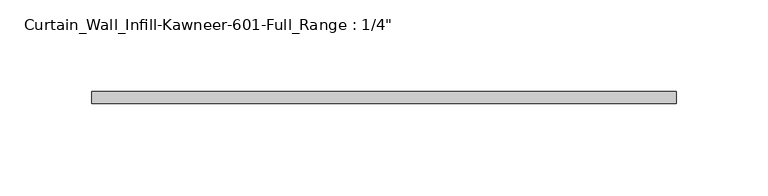
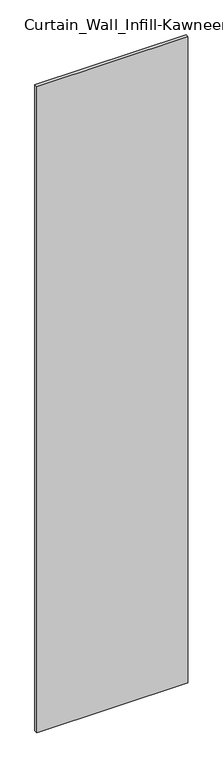
"""IFC4 building model written with IfcOpenShell, lengths in millimetres: plate geometry."""

from ifc_helpers import new_model, si_unit, origin, origin_with_axes, place, context, project, spatial, polyline, outline, extrude, source, transform, mapped, element, save


def plate_8e8b2749(model_context):
    return source(origin(), model_context, "Body", "SweptSolid", [
        extrude(outline(polyline([(-158.75, 0.0), (-158.75, 6.35), (158.75, 6.35), (158.75, 0.0), (-158.75, 0.0)])), origin_with_axes(), (0.0, 0.0, 1.0), 1435.1),
    ])


if __name__ == "__main__":
    model = new_model("IFC4")
    model_context = context("Model", 3, world=origin())
    ifc_project = project(units=[si_unit("LENGTHUNIT", "METRE", prefix="MILLI")], contexts=[model_context])
    site = spatial("IfcSite", under=ifc_project)
    building = spatial("IfcBuilding", under=site)
    placement = place(None, origin())
    plate_shape = plate_8e8b2749(model_context)
    element("IfcPlate", 1, ObjectType="Curtain_Wall_Infill-Kawneer-601-Full_Range : 1/4\"", at=placement, inside=building, context=model_context, shape_type="MappedRepresentation", body=[
        mapped(plate_shape, transform((0.0, 0.0, 0.0), x_axis=(1.0, 0.0, 0.0), y_axis=(0.0, 1.0, 0.0), z_axis=(0.0, 0.0, 1.0))),
    ])
    save(model, "model.ifc")
